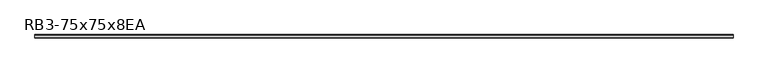
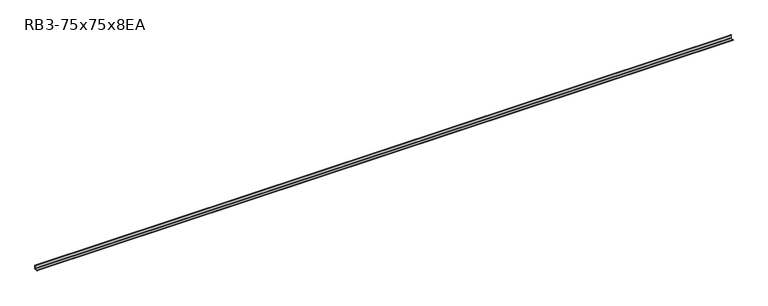
"""IFC4 building model written with IfcOpenShell, lengths in millimetres: member geometry, RB3-75x75x8EA."""

from ifc_helpers import new_model, si_unit, point, frame, frame_2d, origin, place, context, project, spatial, polyline, circle_curve, trimmed, segment, composite_curve, outline, extrude, source, transform, mapped, element, save


def rb3_75x75x8ea_9174ca8f(model_context):
    return source(origin(), model_context, "Body", "SweptSolid", [
        extrude(outline(composite_curve([segment(polyline([(21.3, -21.3), (-53.7, -21.3), (-53.7, -18.3)]), True, "CONTINUOUS"), segment(trimmed(circle_curve(frame_2d((-48.7, -18.3)), 5.0), [point((-53.7, -18.3))], [point((-48.7, -13.3))], False, "CARTESIAN"), True, "CONTINUOUS"), segment(polyline([(-48.7, -13.3), (5.3, -13.3)]), True, "CONTINUOUS"), segment(trimmed(circle_curve(frame_2d((5.3, -5.3)), 8.0), [point((5.3, -13.3))], [point((13.3, -5.3))], True, "CARTESIAN"), True, "CONTINUOUS"), segment(polyline([(13.3, -5.3), (13.3, 48.7)]), True, "CONTINUOUS"), segment(trimmed(circle_curve(frame_2d((18.3, 48.7)), 5.0), [point((13.3, 48.7))], [point((18.3, 53.7))], False, "CARTESIAN"), True, "CONTINUOUS"), segment(polyline([(18.3, 53.7), (21.3, 53.7), (21.3, -21.3)]), True, "CONTINUOUS")], self_intersect=False)), frame((-7381.0, 0.0, 0.0), z_axis=(1.0, 0.0, 0.0), x_axis=(0.0, 1.0, 0.0)), (0.0, 0.0, 1.0), 14591.4675191),
    ])


if __name__ == "__main__":
    model = new_model("IFC4")
    model_context = context("Model", 3, world=origin())
    ifc_project = project(units=[si_unit("LENGTHUNIT", "METRE", prefix="MILLI")], contexts=[model_context])
    site = spatial("IfcSite", under=ifc_project)
    building = spatial("IfcBuilding", under=site)
    placement = place(None, origin())
    rb3_75x75x8ea_shape = rb3_75x75x8ea_9174ca8f(model_context)
    element("IfcMember", 1, ObjectType="RB3-75x75x8EA", at=placement, inside=building, context=model_context, shape_type="MappedRepresentation", body=[
        mapped(rb3_75x75x8ea_shape, transform((0.0, 0.0, 0.0), x_axis=(1.0, 0.0, 0.0), y_axis=(0.0, 1.0, 0.0), z_axis=(0.0, 0.0, 1.0))),
    ])
    save(model, "model.ifc")
